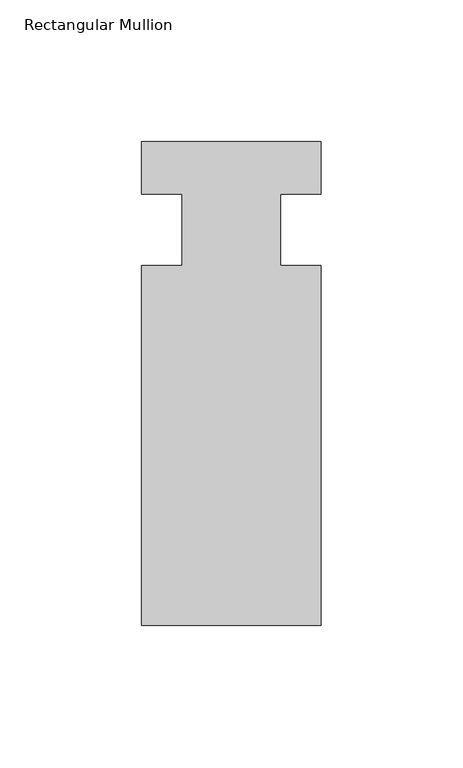
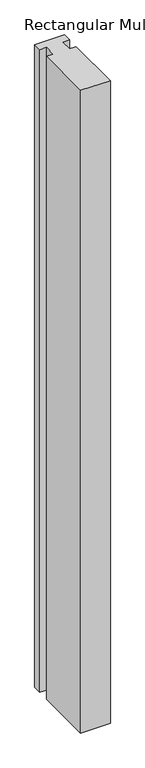
"""IFC4 building model written with IfcOpenShell, lengths in millimetres: member geometry, Rectangular Mullion."""

from ifc_helpers import new_model, si_unit, frame, origin, place, context, project, spatial, polyline, outline, extrude, source, transform, mapped, element, save


def rectangular_mullion_064ad3a4(model_context):
    return source(origin(), model_context, "Body", "SweptSolid", [
        extrude(outline(polyline([(-63.5, -139.6563438), (-63.5, -12.6563184), (-49.2125, -12.6563438), (-49.2125, 12.7436562), (-63.5, 12.7436562), (-63.5, 31.2539062), (0.0, 31.2539062), (0.0, 12.7436562), (-14.2875, 12.7436562), (-14.2875, -12.6563438), (0.0, -12.6563438), (0.0, -139.6563438), (-63.5, -139.6563438)])), frame((0.0, 0.0, -1456.403044), z_axis=(0.0, 0.0, 1.0), x_axis=(1.0, 0.0, 0.0)), (0.0, 0.0, 1.0), 1456.403044),
    ])


if __name__ == "__main__":
    model = new_model("IFC4")
    model_context = context("Model", 3, world=origin())
    ifc_project = project(units=[si_unit("LENGTHUNIT", "METRE", prefix="MILLI")], contexts=[model_context])
    site = spatial("IfcSite", under=ifc_project)
    building = spatial("IfcBuilding", under=site)
    placement = place(None, origin())
    rectangular_mullion_shape = rectangular_mullion_064ad3a4(model_context)
    element("IfcMember", 1, ObjectType="Rectangular Mullion", at=placement, inside=building, context=model_context, shape_type="MappedRepresentation", body=[
        mapped(rectangular_mullion_shape, transform((0.0, 0.0, 0.0), x_axis=(1.0, 0.0, 0.0), y_axis=(0.0, 1.0, 0.0), z_axis=(0.0, 0.0, 1.0))),
    ])
    save(model, "model.ifc")
